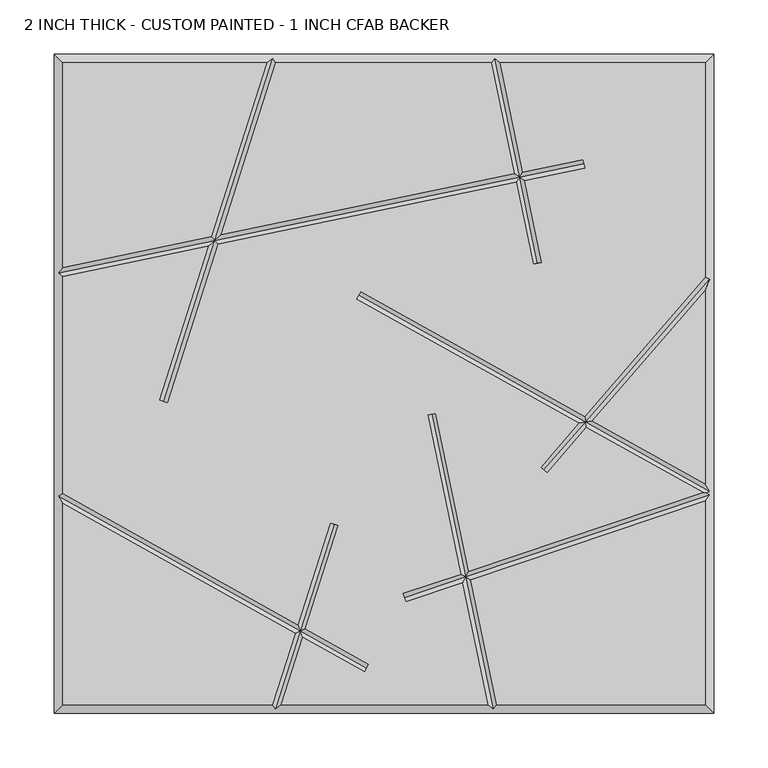
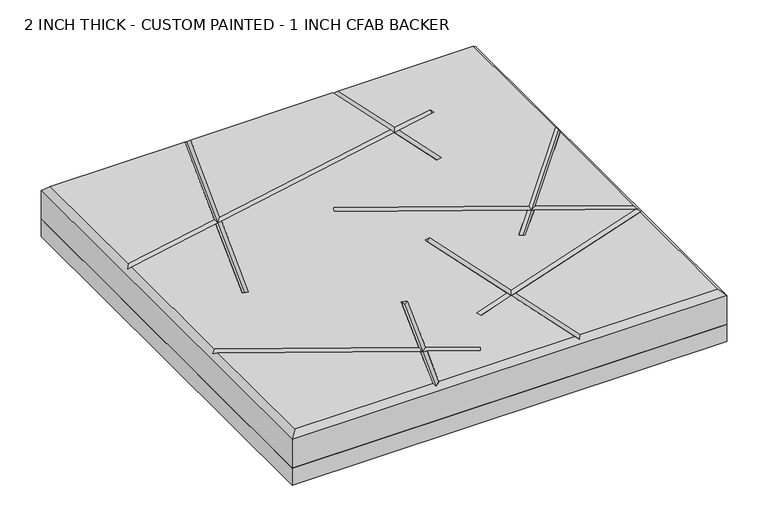
"""IFC4 building model written with IfcOpenShell, lengths in millimetres: proxy geometry, 2 INCH THICK - CUSTOM PAINTED - 1 INCH CFAB BACKER."""

from ifc_helpers import new_model, si_unit, frame, origin, place, context, project, spatial, polyline, outline, extrude, faceted_brep, source, transform, mapped, element, save


def proxy_2_inch_thick_custom_painted_1_inch_cfab_backer_93f96d53(model_context):
    return source(origin(), model_context, "Body", "SolidModel", [
        extrude(outline(polyline([(-304.8, 304.8), (304.8, 304.8), (304.8, -304.8), (-304.8, -304.8), (-304.8, 304.8)])), frame((0.0, 0.0, -25.4), z_axis=(0.0, 0.0, 1.0), x_axis=(1.0, 0.0, 0.0)), (0.0, 0.0, 1.0), 25.4),
        faceted_brep([(-296.799, 296.799, 50.8), (-296.799, 107.3480638, 50.8), (-159.4586078, 135.8795502, 50.8), (-108.3391886, 296.799, 50.8), (296.799, -296.799, 50.8), (296.799, -108.5119669, 50.8), (80.0538834, -181.4165569, 50.8), (104.0237625, -296.799, 50.8), (-296.799, -110.6534853, 50.8), (-296.799, -296.799, 50.8), (-103.2558195, -296.799, 50.8), (-82.2134891, -230.5595886, 50.8), (184.2546922, 207.2835354, 50.8), (185.8820968, 199.4497907, 50.8), (129.9840642, 187.8373734, 50.8), (145.7029214, 112.1724049, 50.8), (137.8691767, 110.5450004, 50.8), (122.1503195, 186.2099688, 50.8), (-153.2498082, 128.9975577, 50.8), (-199.8388724, -17.6607318, 50.8), (-207.4643565, -15.2383377, 50.8), (-162.2379804, 127.130329, 50.8), (-296.799, 99.1762375, 50.8), (-296.799, -101.4881131, 50.8), (-79.7408339, -222.7758868, 50.8), (-49.8549585, -128.6977715, 50.8), (-42.2294744, -131.1201655, 50.8), (-72.6113646, -226.7596921, 50.8), (-13.9611021, -259.5322889, 50.8), (-17.8639294, -266.516839, 50.8), (-75.0840198, -234.5433938, 50.8), (-94.8608114, -296.799, 50.8), (95.8519362, -296.799, 50.8), (72.4157815, -183.985716, 50.8), (20.0037035, -201.6150916, 50.8), (17.4529106, -194.0315926, 50.8), (70.7766593, -176.0955667, 50.8), (40.2072869, -28.9455186, 50.8), (48.0410316, -27.318114, 50.8), (78.4147612, -173.5264076, 50.8), (294.9653156, -100.6872606, 50.8), (187.1012518, -40.4149733, 50.8), (150.6770336, -82.4732231, 50.8), (144.6288963, -77.2352812, 50.8), (179.9685456, -36.4293593, 50.8), (-25.4958806, 78.3800638, 50.8), (-21.5930534, 85.3646139, 50.8), (185.3175947, -30.2529291, 50.8), (296.799, 98.472217, 50.8), (296.799, 296.799, 50.8), (107.3480638, 296.799, 50.8), (128.3566596, 195.671118, 50.8), (-99.9441805, 296.799, 50.8), (-150.4704356, 137.7467788, 50.8), (120.522915, 194.0437135, 50.8), (99.1762375, 296.799, 50.8), (192.4503009, -34.238543, 50.8), (296.799, -92.5465147, 50.8), (296.799, 86.2506228, 50.8), (-304.8, 304.8, 0.0), (304.8, 304.8, 0.0), (304.8, -304.8, 0.0), (-304.8, -304.8, 0.0), (-304.8, -304.8, 42.799), (-304.8, 304.8, 42.799), (304.8, -304.8, 42.799), (304.8, 304.8, 42.799), (-102.8708423, 300.7995, 46.7995), (102.4310753, 300.7995, 46.7995), (-300.7995, -103.8353996, 46.7995), (-300.7995, 102.4310753, 46.7995), (100.7689247, -300.7995, 46.7995), (-100.3291577, -300.7995, 46.7995), (300.7995, 96.9807099, 46.7995), (300.7995, -99.3646004, 46.7995), (298.0563573, -100.9741346, 49.5426427), (300.7995, -102.9456119, 46.7995), (185.0683945, 203.3666631, 46.7995), (-156.354208, 132.4385539, 46.7995), (125.2534896, 190.9405434, 46.7995), (-203.6516145, -16.4495347, 46.7995), (141.7860491, 111.3587027, 46.7995), (-23.544467, 81.8723389, 46.7995), (186.2094232, -35.3339512, 46.7995), (147.652965, -79.8542522, 46.7995), (18.728307, -197.8233421, 46.7995), (75.4152713, -178.7560618, 46.7995), (-15.9125158, -263.0245639, 46.7995), (-77.4124268, -228.6596403, 46.7995), (-46.0422164, -129.9089685, 46.7995), (44.1241593, -28.1318163, 46.7995)], [[[0, 1, 2, 3]], [[4, 5, 6, 7]], [[8, 9, 10, 11]], [[12, 13, 14, 15, 16, 17, 18, 19, 20, 21, 22, 23, 24, 25, 26, 27, 28, 29, 30, 31, 32, 33, 34, 35, 36, 37, 38, 39, 40, 41, 42, 43, 44, 45, 46, 47, 48, 49, 50, 51]], [[52, 53, 54, 55]], [[56, 57, 58]], [[59, 60, 61, 62]], [[59, 62, 63, 64]], [[62, 61, 65, 63]], [[61, 60, 66, 65]], [[60, 59, 64, 66]], [[64, 0, 3, 67, 52, 55, 68, 50, 49, 66]], [[0, 64, 63, 9, 8, 69, 23, 22, 70, 1]], [[9, 63, 65, 4, 7, 71, 32, 31, 72, 10]], [[66, 49, 48, 73, 58, 57, 74, 75, 76, 5, 4, 65]], [[12, 77, 13]], [[1, 70, 78, 2]], [[77, 12, 51, 79]], [[53, 78, 79, 54]], [[70, 22, 21, 78]], [[13, 77, 79, 14]], [[78, 18, 17, 79]], [[19, 80, 20]], [[80, 19, 18, 78]], [[67, 78, 53, 52]], [[20, 80, 78, 21]], [[78, 67, 3, 2]], [[15, 81, 16]], [[81, 15, 14, 79]], [[68, 79, 51, 50]], [[16, 81, 79, 17]], [[79, 68, 55, 54]], [[45, 82, 46]], [[74, 57, 56, 83]], [[46, 82, 83, 47]], [[82, 45, 44, 83]], [[74, 83, 41, 40, 75]], [[42, 84, 43]], [[84, 42, 41, 83]], [[73, 83, 56, 58]], [[43, 84, 83, 44]], [[83, 73, 48, 47]], [[34, 85, 35]], [[5, 76, 86, 6]], [[85, 34, 33, 86]], [[76, 75, 40, 39, 86]], [[35, 85, 86, 36]], [[28, 87, 29]], [[23, 69, 88, 24]], [[87, 28, 27, 88]], [[69, 8, 11, 88]], [[29, 87, 88, 30]], [[25, 89, 26]], [[89, 25, 24, 88]], [[72, 88, 11, 10]], [[26, 89, 88, 27]], [[88, 72, 31, 30]], [[37, 90, 38]], [[90, 37, 36, 86]], [[71, 86, 33, 32]], [[38, 90, 86, 39]], [[86, 71, 7, 6]]]),
    ])


if __name__ == "__main__":
    model = new_model("IFC4")
    model_context = context("Model", 3, world=origin())
    ifc_project = project(units=[si_unit("LENGTHUNIT", "METRE", prefix="MILLI")], contexts=[model_context])
    site = spatial("IfcSite", under=ifc_project)
    building = spatial("IfcBuilding", under=site)
    placement = place(None, origin())
    proxy_2_inch_thick_custom_painted_1_inch_cfab_backer_shape = proxy_2_inch_thick_custom_painted_1_inch_cfab_backer_93f96d53(model_context)
    element("IfcBuildingElementProxy", 1, Name="2 INCH THICK - CUSTOM PAINTED - 1 INCH CFAB BACKER", ObjectType="2 INCH THICK - CUSTOM PAINTED - 1 INCH CFAB BACKER", at=placement, inside=building, context=model_context, shape_type="MappedRepresentation", body=[
        mapped(proxy_2_inch_thick_custom_painted_1_inch_cfab_backer_shape, transform((0.0, 0.0, 0.0), x_axis=(1.0, 0.0, 0.0), y_axis=(0.0, 1.0, 0.0), z_axis=(0.0, 0.0, 1.0))),
    ])
    save(model, "model.ifc")
